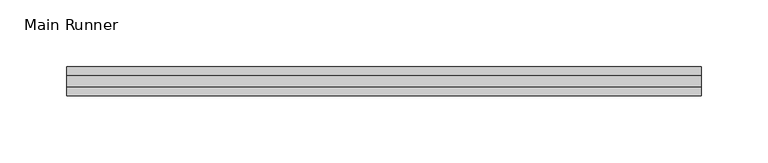
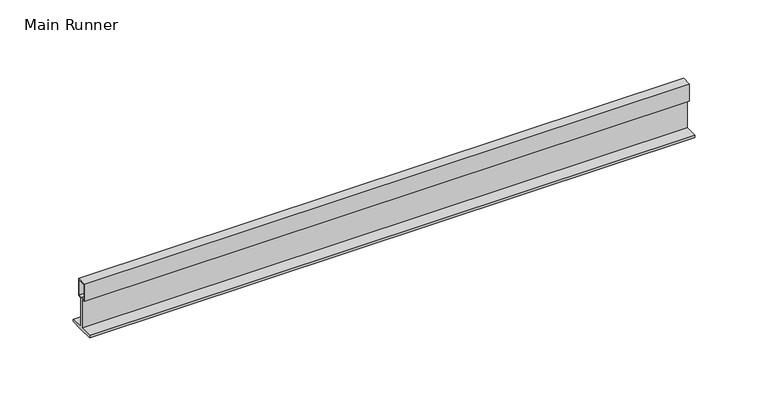
"""IFC4 building model written with IfcOpenShell, lengths in millimetres: beam geometry, Main Runner."""

import ifcopenshell
import ifcopenshell.guid

model = None  # the IFC model being written
_history = None  # IfcOwnerHistory: only IFC2X3 demands one
_inside = {}  # id of a spatial element -> (the spatial element, [elements in it])
_under = {}  # id of a project, library or spatial element -> (it, [spatial elements below it])
_declared = {}  # id of a project -> (the project, [libraries it declares])
_typed = {}  # id of a type object -> (the type object, [elements of that type])
_made_of = {}  # id of a material, layer set ... -> (it, [elements and type objects made of it])


def new_model(schema):
    """Start an empty IFC model of exactly this schema.

    Asked for "IFC4X3", IfcOpenShell would pick the latest addendum, in which some entities
    have other attributes; the version numbers below select the first issue.
    IFC2X3 requires an IfcOwnerHistory on every rooted entity: one is made here for all.
    """
    global model, _history
    if schema == "IFC4X3":
        model = ifcopenshell.file(schema_version=(4, 3, 0, 0))
    else:
        model = ifcopenshell.file(schema=schema)
    _inside.clear()
    _under.clear()
    _declared.clear()
    _typed.clear()
    _made_of.clear()
    _history = None
    if model.schema == "IFC2X3":
        org = make("IfcOrganization", Name="unknown")
        user = make(
            "IfcPersonAndOrganization",
            ThePerson=make("IfcPerson", FamilyName="unknown"),
            TheOrganization=org,
        )
        app = make(
            "IfcApplication",
            ApplicationDeveloper=org,
            Version="unknown",
            ApplicationFullName="unknown",
            ApplicationIdentifier="unknown",
        )
        _history = make(
            "IfcOwnerHistory",
            OwningUser=user,
            OwningApplication=app,
            ChangeAction="ADDED",
            CreationDate=0,
        )
    return model


def make(cls, **values):
    """One entity of the class cls with the attributes given. An attribute that is None is left unset."""
    return model.create_entity(
        cls, **{name: value for name, value in values.items() if value is not None}
    )


def rooted(cls, **values):
    """An entity with a GlobalId (a new one), such as an element, a storey or a relation."""
    return make(cls, GlobalId=ifcopenshell.guid.new(), OwnerHistory=_history, **values)


def si_unit(unit_type, name, prefix=None):
    """IfcSIUnit, for example si_unit("LENGTHUNIT", "METRE", prefix="MILLI")."""
    return make("IfcSIUnit", UnitType=unit_type, Prefix=prefix, Name=name)


def assignment(units):
    """IfcUnitAssignment: the units of a project."""
    return None if units is None else make("IfcUnitAssignment", Units=units)


def point(xyz):
    """IfcCartesianPoint."""
    return None if xyz is None else make("IfcCartesianPoint", Coordinates=xyz)


def direction(xyz):
    """IfcDirection."""
    return None if xyz is None else make("IfcDirection", DirectionRatios=xyz)


def frame(location, z_axis=None, x_axis=None):
    """IfcAxis2Placement3D, a coordinate frame: its origin and axes. An axis left out is left unset."""
    return make(
        "IfcAxis2Placement3D",
        Location=point(location),
        Axis=direction(z_axis),
        RefDirection=direction(x_axis),
    )


def origin():
    """The frame at (0, 0, 0) with its axes left unset."""
    return frame((0.0, 0.0, 0.0))


def place(relative_to, where):
    """IfcLocalPlacement: puts the frame where relative to a parent placement (None: the world)."""
    return make(
        "IfcLocalPlacement", PlacementRelTo=relative_to, RelativePlacement=where
    )


def context(
    kind, dimensions, precision=None, world=None, true_north=None, identifier=None
):
    """IfcGeometricRepresentationContext, for example the 3D "Model" context."""
    return make(
        "IfcGeometricRepresentationContext",
        ContextIdentifier=identifier,
        ContextType=kind,
        CoordinateSpaceDimension=dimensions,
        Precision=precision,
        WorldCoordinateSystem=world,
        TrueNorth=true_north,
    )


def project(units=None, contexts=None):
    """IfcProject with its units and contexts."""
    return rooted(
        "IfcProject",
        Name="project",
        RepresentationContexts=contexts,
        UnitsInContext=assignment(units),
    )


def spatial(cls, under=None, at=None, **own):
    """A site, building, storey or space (cls), placed at a placement, below another one or the project."""
    s = rooted(cls, ObjectPlacement=at, **own)
    if under is not None:
        _under.setdefault(under.id(), (under, []))[1].append(s)
    return s


def polyline(points):
    """IfcPolyline through the points."""
    return make("IfcPolyline", Points=[point(p) for p in points])


def outline(outer, holes=None, kind="AREA"):
    """IfcArbitraryClosedProfileDef: a profile drawn as a closed curve; with holes, ...WithVoids."""
    if holes is None:
        return make("IfcArbitraryClosedProfileDef", ProfileType=kind, OuterCurve=outer)
    return make(
        "IfcArbitraryProfileDefWithVoids",
        ProfileType=kind,
        OuterCurve=outer,
        InnerCurves=holes,
    )


def extrude(swept, where, along, depth):
    """IfcExtrudedAreaSolid: the profile swept, set in the frame where, extruded along a direction by depth."""
    return make(
        "IfcExtrudedAreaSolid",
        SweptArea=swept,
        Position=where,
        ExtrudedDirection=direction(along),
        Depth=depth,
    )


def shape(context_of_items, identifier, shape_type, items):
    """IfcShapeRepresentation: the items that make up one representation, for example the "Body"."""
    return make(
        "IfcShapeRepresentation",
        ContextOfItems=context_of_items,
        RepresentationIdentifier=identifier,
        RepresentationType=shape_type,
        Items=items,
    )


def source(mapping_origin, context_of_items, identifier, shape_type, items):
    """IfcRepresentationMap: a shape defined once, which mapped items show again and again."""
    return make(
        "IfcRepresentationMap",
        MappingOrigin=mapping_origin,
        MappedRepresentation=shape(context_of_items, identifier, shape_type, items),
    )


def transform(
    local_origin,
    x_axis=None,
    y_axis=None,
    z_axis=None,
    scale=None,
    scale2=None,
    scale3=None,
    uniform=True,
):
    """IfcCartesianTransformationOperator3D, or its non-uniform kind. x_axis, y_axis, z_axis: its Axis1, 2, 3."""
    if uniform:
        return make(
            "IfcCartesianTransformationOperator3D",
            Axis1=direction(x_axis),
            Axis2=direction(y_axis),
            LocalOrigin=point(local_origin),
            Scale=scale,
            Axis3=direction(z_axis),
        )
    return make(
        "IfcCartesianTransformationOperator3DnonUniform",
        Axis1=direction(x_axis),
        Axis2=direction(y_axis),
        LocalOrigin=point(local_origin),
        Scale=scale,
        Axis3=direction(z_axis),
        Scale2=scale2,
        Scale3=scale3,
    )


def mapped(mapping_source, mapping_target):
    """IfcMappedItem: shows the shape of a source again, moved by a transform."""
    return make(
        "IfcMappedItem", MappingSource=mapping_source, MappingTarget=mapping_target
    )


def made_of(thing, what):
    """Note that an element or type object is made of a material, layer set ...; save() writes the relation."""
    if what is not None:
        _made_of.setdefault(what.id(), (what, []))[1].append(thing)
    return thing


def element(
    cls,
    number,
    at=None,
    inside=None,
    cuts=None,
    type_object=None,
    material=None,
    context=None,
    identifier="Body",
    shape_type=None,
    held_by="IfcProductDefinitionShape",
    body=None,
    shapes=None,
    **own,
):
    """One element of the class cls, such as IfcWall. Its Tag is "e" and its number.

    at: its placement. inside: the storey or other place that contains it. cuts: it is an
    opening in that element (IfcRelVoidsElement). A single representation is given by context,
    identifier, shape_type and body (its items); several are given by shapes. held_by: the class
    of the entity that holds the representations. save() writes the other relations.
    """
    e = rooted(cls, Tag="e%d" % number, ObjectPlacement=at, **own)
    if body is not None:
        shapes = [shape(context, identifier, shape_type, body)]
    if shapes is not None:
        e.Representation = make(held_by, Representations=shapes)
    if inside is not None:
        _inside.setdefault(inside.id(), (inside, []))[1].append(e)
    if cuts is not None:
        rooted(
            "IfcRelVoidsElement", RelatingBuildingElement=cuts, RelatedOpeningElement=e
        )
    if type_object is not None:
        _typed.setdefault(type_object.id(), (type_object, []))[1].append(e)
    return made_of(e, material)


def aggregate(whole, parts):
    """IfcRelAggregates: a whole, such as a stair, and the parts it consists of."""
    return rooted("IfcRelAggregates", RelatingObject=whole, RelatedObjects=parts)


def save(model, path):
    """Write the relations noted so far, then the file.

    IfcRelAggregates (storeys below a building ...), IfcRelContainedInSpatialStructure (elements
    in a storey), IfcRelDefinesByType, IfcRelAssociatesMaterial and IfcRelDeclares: one each for
    every whole, place, type object, material and project.
    """
    for whole, parts in _under.values():
        aggregate(whole, parts)
    for where, things in _inside.values():
        rooted(
            "IfcRelContainedInSpatialStructure",
            RelatedElements=things,
            RelatingStructure=where,
        )
    for kind, things in _typed.values():
        rooted("IfcRelDefinesByType", RelatedObjects=things, RelatingType=kind)
    for what, things in _made_of.values():
        rooted("IfcRelAssociatesMaterial", RelatedObjects=things, RelatingMaterial=what)
    for by, libraries in _declared.values():
        rooted("IfcRelDeclares", RelatingContext=by, RelatedDefinitions=libraries)
    model.write(path)


def main_runner_39fef375(model_context):
    return source(origin(), model_context, "Body", "SweptSolid", [
        extrude(outline(polyline([(-11.0, -2.0), (-11.0, 0.0), (-1.0, 0.0), (-1.0, 24.0), (-4.0, 24.0), (-4.0, 38.1243468), (4.0, 38.1243468), (4.0, 24.0), (1.0, 24.0), (1.0, 0.0), (11.0, 0.0), (11.0, -2.0), (0.0, -2.0), (-11.0, -2.0)]), holes=[polyline([(-3.0, 37.1243468), (-3.0, 25.0), (0.0, 25.0), (3.0169966, 25.0), (3.0169966, 37.1243468), (-3.0, 37.1243468)])]), frame((-279.6034703, 0.0, 0.0), z_axis=(1.0, 0.0, 0.0), x_axis=(0.0, 1.0, 0.0)), (0.0, 0.0, 1.0), 476.1034703),
    ])


if __name__ == "__main__":
    model = new_model("IFC4")
    model_context = context("Model", 3, world=origin())
    ifc_project = project(units=[si_unit("LENGTHUNIT", "METRE", prefix="MILLI")], contexts=[model_context])
    site = spatial("IfcSite", under=ifc_project)
    building = spatial("IfcBuilding", under=site)
    placement = place(None, origin())
    main_runner_shape = main_runner_39fef375(model_context)
    element("IfcBeam", 1, ObjectType="Main Runner", at=placement, inside=building, context=model_context, shape_type="MappedRepresentation", body=[
        mapped(main_runner_shape, transform((0.0, 0.0, 0.0), x_axis=(1.0, 0.0, 0.0), y_axis=(0.0, 1.0, 0.0), z_axis=(0.0, 0.0, 1.0))),
    ])
    save(model, "model.ifc")
